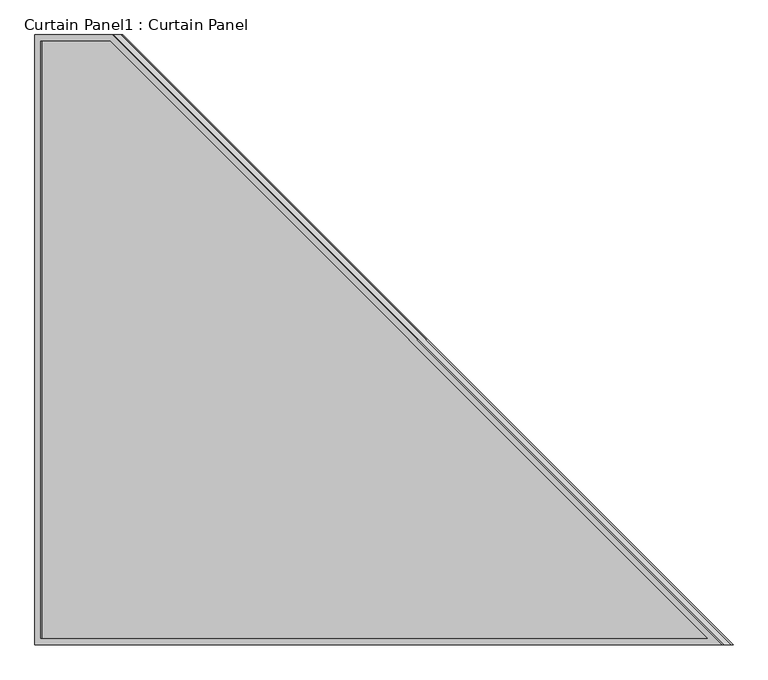
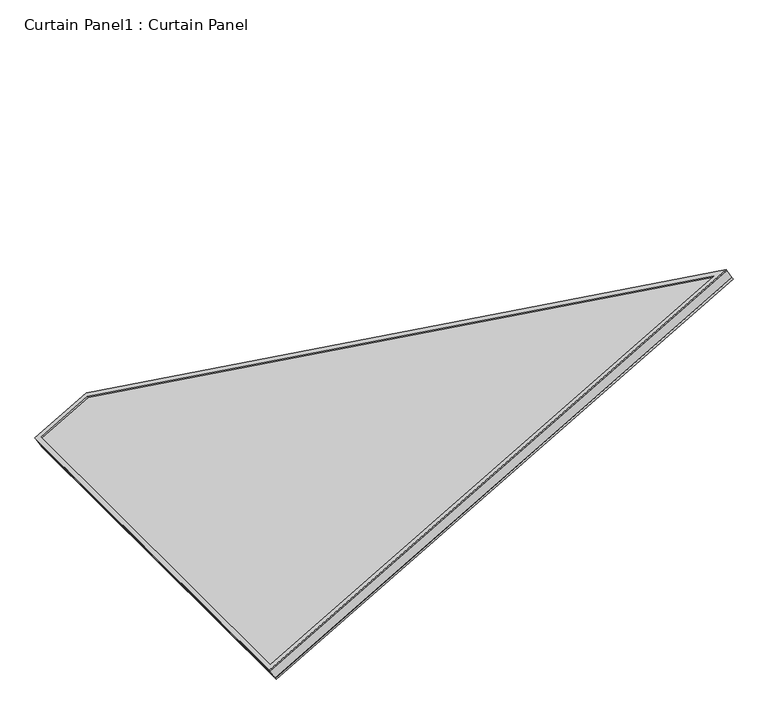
"""IFC4 building model written with IfcOpenShell, lengths in millimetres: plate geometry, Curtain Panel1 : Curtain Panel."""

import ifcopenshell
import ifcopenshell.guid

model = None  # the IFC model being written
_history = None  # IfcOwnerHistory: only IFC2X3 demands one
_inside = {}  # id of a spatial element -> (the spatial element, [elements in it])
_under = {}  # id of a project, library or spatial element -> (it, [spatial elements below it])
_declared = {}  # id of a project -> (the project, [libraries it declares])
_typed = {}  # id of a type object -> (the type object, [elements of that type])
_made_of = {}  # id of a material, layer set ... -> (it, [elements and type objects made of it])


def new_model(schema):
    """Start an empty IFC model of exactly this schema.

    Asked for "IFC4X3", IfcOpenShell would pick the latest addendum, in which some entities
    have other attributes; the version numbers below select the first issue.
    IFC2X3 requires an IfcOwnerHistory on every rooted entity: one is made here for all.
    """
    global model, _history
    if schema == "IFC4X3":
        model = ifcopenshell.file(schema_version=(4, 3, 0, 0))
    else:
        model = ifcopenshell.file(schema=schema)
    _inside.clear()
    _under.clear()
    _declared.clear()
    _typed.clear()
    _made_of.clear()
    _history = None
    if model.schema == "IFC2X3":
        org = make("IfcOrganization", Name="unknown")
        user = make(
            "IfcPersonAndOrganization",
            ThePerson=make("IfcPerson", FamilyName="unknown"),
            TheOrganization=org,
        )
        app = make(
            "IfcApplication",
            ApplicationDeveloper=org,
            Version="unknown",
            ApplicationFullName="unknown",
            ApplicationIdentifier="unknown",
        )
        _history = make(
            "IfcOwnerHistory",
            OwningUser=user,
            OwningApplication=app,
            ChangeAction="ADDED",
            CreationDate=0,
        )
    return model


def make(cls, **values):
    """One entity of the class cls with the attributes given. An attribute that is None is left unset."""
    return model.create_entity(
        cls, **{name: value for name, value in values.items() if value is not None}
    )


def rooted(cls, **values):
    """An entity with a GlobalId (a new one), such as an element, a storey or a relation."""
    return make(cls, GlobalId=ifcopenshell.guid.new(), OwnerHistory=_history, **values)


def si_unit(unit_type, name, prefix=None):
    """IfcSIUnit, for example si_unit("LENGTHUNIT", "METRE", prefix="MILLI")."""
    return make("IfcSIUnit", UnitType=unit_type, Prefix=prefix, Name=name)


def assignment(units):
    """IfcUnitAssignment: the units of a project."""
    return None if units is None else make("IfcUnitAssignment", Units=units)


def point(xyz):
    """IfcCartesianPoint."""
    return None if xyz is None else make("IfcCartesianPoint", Coordinates=xyz)


def direction(xyz):
    """IfcDirection."""
    return None if xyz is None else make("IfcDirection", DirectionRatios=xyz)


def frame(location, z_axis=None, x_axis=None):
    """IfcAxis2Placement3D, a coordinate frame: its origin and axes. An axis left out is left unset."""
    return make(
        "IfcAxis2Placement3D",
        Location=point(location),
        Axis=direction(z_axis),
        RefDirection=direction(x_axis),
    )


def origin():
    """The frame at (0, 0, 0) with its axes left unset."""
    return frame((0.0, 0.0, 0.0))


def place(relative_to, where):
    """IfcLocalPlacement: puts the frame where relative to a parent placement (None: the world)."""
    return make(
        "IfcLocalPlacement", PlacementRelTo=relative_to, RelativePlacement=where
    )


def context(
    kind, dimensions, precision=None, world=None, true_north=None, identifier=None
):
    """IfcGeometricRepresentationContext, for example the 3D "Model" context."""
    return make(
        "IfcGeometricRepresentationContext",
        ContextIdentifier=identifier,
        ContextType=kind,
        CoordinateSpaceDimension=dimensions,
        Precision=precision,
        WorldCoordinateSystem=world,
        TrueNorth=true_north,
    )


def project(units=None, contexts=None):
    """IfcProject with its units and contexts."""
    return rooted(
        "IfcProject",
        Name="project",
        RepresentationContexts=contexts,
        UnitsInContext=assignment(units),
    )


def spatial(cls, under=None, at=None, **own):
    """A site, building, storey or space (cls), placed at a placement, below another one or the project."""
    s = rooted(cls, ObjectPlacement=at, **own)
    if under is not None:
        _under.setdefault(under.id(), (under, []))[1].append(s)
    return s


def polyline(points):
    """IfcPolyline through the points."""
    return make("IfcPolyline", Points=[point(p) for p in points])


def outline(outer, holes=None, kind="AREA"):
    """IfcArbitraryClosedProfileDef: a profile drawn as a closed curve; with holes, ...WithVoids."""
    if holes is None:
        return make("IfcArbitraryClosedProfileDef", ProfileType=kind, OuterCurve=outer)
    return make(
        "IfcArbitraryProfileDefWithVoids",
        ProfileType=kind,
        OuterCurve=outer,
        InnerCurves=holes,
    )


def extrude(swept, where, along, depth):
    """IfcExtrudedAreaSolid: the profile swept, set in the frame where, extruded along a direction by depth."""
    return make(
        "IfcExtrudedAreaSolid",
        SweptArea=swept,
        Position=where,
        ExtrudedDirection=direction(along),
        Depth=depth,
    )


def shape(context_of_items, identifier, shape_type, items):
    """IfcShapeRepresentation: the items that make up one representation, for example the "Body"."""
    return make(
        "IfcShapeRepresentation",
        ContextOfItems=context_of_items,
        RepresentationIdentifier=identifier,
        RepresentationType=shape_type,
        Items=items,
    )


def source(mapping_origin, context_of_items, identifier, shape_type, items):
    """IfcRepresentationMap: a shape defined once, which mapped items show again and again."""
    return make(
        "IfcRepresentationMap",
        MappingOrigin=mapping_origin,
        MappedRepresentation=shape(context_of_items, identifier, shape_type, items),
    )


def transform(
    local_origin,
    x_axis=None,
    y_axis=None,
    z_axis=None,
    scale=None,
    scale2=None,
    scale3=None,
    uniform=True,
):
    """IfcCartesianTransformationOperator3D, or its non-uniform kind. x_axis, y_axis, z_axis: its Axis1, 2, 3."""
    if uniform:
        return make(
            "IfcCartesianTransformationOperator3D",
            Axis1=direction(x_axis),
            Axis2=direction(y_axis),
            LocalOrigin=point(local_origin),
            Scale=scale,
            Axis3=direction(z_axis),
        )
    return make(
        "IfcCartesianTransformationOperator3DnonUniform",
        Axis1=direction(x_axis),
        Axis2=direction(y_axis),
        LocalOrigin=point(local_origin),
        Scale=scale,
        Axis3=direction(z_axis),
        Scale2=scale2,
        Scale3=scale3,
    )


def mapped(mapping_source, mapping_target):
    """IfcMappedItem: shows the shape of a source again, moved by a transform."""
    return make(
        "IfcMappedItem", MappingSource=mapping_source, MappingTarget=mapping_target
    )


def made_of(thing, what):
    """Note that an element or type object is made of a material, layer set ...; save() writes the relation."""
    if what is not None:
        _made_of.setdefault(what.id(), (what, []))[1].append(thing)
    return thing


def element(
    cls,
    number,
    at=None,
    inside=None,
    cuts=None,
    type_object=None,
    material=None,
    context=None,
    identifier="Body",
    shape_type=None,
    held_by="IfcProductDefinitionShape",
    body=None,
    shapes=None,
    **own,
):
    """One element of the class cls, such as IfcWall. Its Tag is "e" and its number.

    at: its placement. inside: the storey or other place that contains it. cuts: it is an
    opening in that element (IfcRelVoidsElement). A single representation is given by context,
    identifier, shape_type and body (its items); several are given by shapes. held_by: the class
    of the entity that holds the representations. save() writes the other relations.
    """
    e = rooted(cls, Tag="e%d" % number, ObjectPlacement=at, **own)
    if body is not None:
        shapes = [shape(context, identifier, shape_type, body)]
    if shapes is not None:
        e.Representation = make(held_by, Representations=shapes)
    if inside is not None:
        _inside.setdefault(inside.id(), (inside, []))[1].append(e)
    if cuts is not None:
        rooted(
            "IfcRelVoidsElement", RelatingBuildingElement=cuts, RelatedOpeningElement=e
        )
    if type_object is not None:
        _typed.setdefault(type_object.id(), (type_object, []))[1].append(e)
    return made_of(e, material)


def aggregate(whole, parts):
    """IfcRelAggregates: a whole, such as a stair, and the parts it consists of."""
    return rooted("IfcRelAggregates", RelatingObject=whole, RelatedObjects=parts)


def save(model, path):
    """Write the relations noted so far, then the file.

    IfcRelAggregates (storeys below a building ...), IfcRelContainedInSpatialStructure (elements
    in a storey), IfcRelDefinesByType, IfcRelAssociatesMaterial and IfcRelDeclares: one each for
    every whole, place, type object, material and project.
    """
    for whole, parts in _under.values():
        aggregate(whole, parts)
    for where, things in _inside.values():
        rooted(
            "IfcRelContainedInSpatialStructure",
            RelatedElements=things,
            RelatingStructure=where,
        )
    for kind, things in _typed.values():
        rooted("IfcRelDefinesByType", RelatedObjects=things, RelatingType=kind)
    for what, things in _made_of.values():
        rooted("IfcRelAssociatesMaterial", RelatedObjects=things, RelatingMaterial=what)
    for by, libraries in _declared.values():
        rooted("IfcRelDeclares", RelatingContext=by, RelatedDefinitions=libraries)
    model.write(path)


def curtain_panel1_curtain_panel_c25eb2ef(model_context):
    return source(origin(), model_context, "Body", "SweptSolid", [
        extrude(outline(polyline([(1540.3277362, -12.7), (-12.7, -12.7), (-12.7, 1181.1), (161.8462335, 1181.1), (1540.3277362, -12.7)]), holes=[polyline([(157.1113598, 1168.4), (0.0, 1168.4), (0.0, 0.0), (1506.2634688, 0.0), (157.1113598, 1168.4)])]), frame((-9719.0528299, 8539.0537369, 1292.2712217), z_axis=(-0.49999999999999944, 0.0, 0.866025403784439), x_axis=(0.866025403784439, 0.0, 0.49999999999999944)), (0.0, 0.0, 1.0), 4.8010463),
        extrude(outline(polyline([(1540.3277362, -12.7), (-12.7, -12.7), (-12.7, 1181.1), (161.8462335, 1181.1), (1540.3277362, -12.7)]), holes=[polyline([(157.1113599, 1168.4), (0.0, 1168.4), (0.0, 0.0), (1506.2634689, 0.0), (157.1113599, 1168.4)])]), frame((-9700.6253531, 8539.0537369, 1260.3538956), z_axis=(-0.499999999999999, 0.0, 0.8660254037844393), x_axis=(0.8660254037844393, 0.0, 0.499999999999999)), (0.0, 0.0, 1.0), 6.6924537),
        extrude(outline(polyline([(12.7, 0.0), (1206.5, 0.0), (1206.5, -174.5462334), (12.7, -1553.0277361), (12.7, 0.0)])), frame((-9714.9701025, 8513.6537369, 1259.7997305), z_axis=(-0.49999999999999867, 0.0, 0.8660254037844395), x_axis=(0.0, 1.0, 0.0)), (0.0, 0.0, 1.0), 30.1625),
    ])


if __name__ == "__main__":
    model = new_model("IFC4")
    model_context = context("Model", 3, world=origin())
    ifc_project = project(units=[si_unit("LENGTHUNIT", "METRE", prefix="MILLI")], contexts=[model_context])
    site = spatial("IfcSite", under=ifc_project)
    building = spatial("IfcBuilding", under=site)
    placement = place(None, origin())
    curtain_panel1_curtain_panel_shape = curtain_panel1_curtain_panel_c25eb2ef(model_context)
    element("IfcPlate", 1, ObjectType="Curtain Panel1 : Curtain Panel", at=placement, inside=building, context=model_context, shape_type="MappedRepresentation", body=[
        mapped(curtain_panel1_curtain_panel_shape, transform((0.0, 0.0, 0.0), x_axis=(1.0, 0.0, 0.0), y_axis=(0.0, 1.0, 0.0), z_axis=(0.0, 0.0, 1.0))),
    ])
    save(model, "model.ifc")
